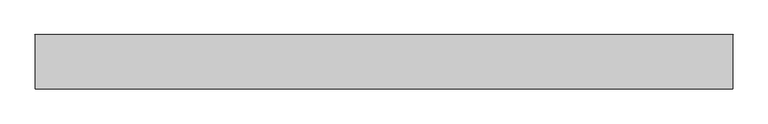
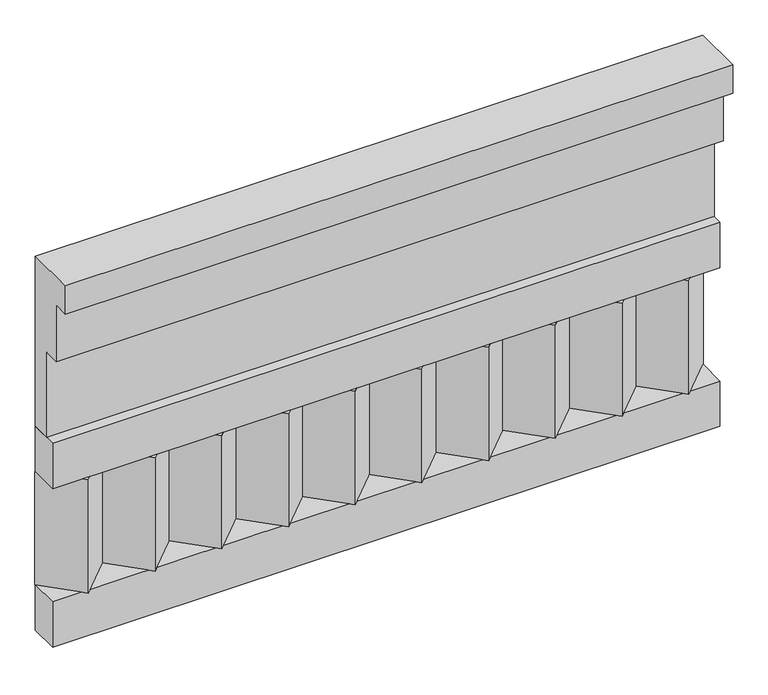
"""IFC4 building model written with IfcOpenShell, lengths in millimetres: railing geometry."""

from ifc_helpers import new_model, si_unit, frame, origin, place, context, project, spatial, polyline, outline, extrude, source, transform, mapped, element, save


def railing_0becacf1(model_context):
    return source(origin(), model_context, "Body", "SweptSolid", [
        extrude(outline(polyline([(-16816.8920513, 25100.0), (-16816.8920513, 24650.0), (-16866.8920513, 24650.0), (-16866.8920513, 24875.0), (-16906.8920513, 24875.0), (-16906.8920513, 25025.0), (-16946.8920513, 25025.0), (-16946.8920513, 25100.0), (-16816.8920513, 25100.0)])), frame((33090.0112841, 0.0, 0.0), z_axis=(1.0, 0.0, 0.0), x_axis=(0.0, 1.0, 0.0)), (0.0, 0.0, 1.0), 1670.0),
        extrude(outline(polyline([(33090.0112841, -16891.8920513), (33090.0112841, -16816.8920513), (34760.0112841, -16816.8920513), (34760.0112841, -16891.8920513), (33090.0112841, -16891.8920513)])), frame((0.0, 0.0, 24530.0), z_axis=(0.0, 0.0, 1.0), x_axis=(1.0, 0.0, 0.0)), (0.0, 0.0, 1.0), 120.0),
        extrude(outline(polyline([(33090.0112841, -16891.8920513), (33090.0112841, -16816.8920513), (34760.0112841, -16816.8920513), (34760.0112841, -16891.8920513), (33090.0112841, -16891.8920513)])), frame((0.0, 0.0, 24110.0), z_axis=(0.0, 0.0, 1.0), x_axis=(1.0, 0.0, 0.0)), (0.0, 0.0, 1.0), 120.0),
        extrude(outline(polyline([(34676.5112841, -16901.7448651), (34591.6584704, -16816.8920513), (34761.3640978, -16816.8920513), (34676.5112841, -16901.7448651)])), frame((0.0, 0.0, 24230.0), z_axis=(0.0, 0.0, 1.0), x_axis=(1.0, 0.0, 0.0)), (0.0, 0.0, 1.0), 300.0),
        extrude(outline(polyline([(34509.5112841, -16901.7448651), (34424.6584704, -16816.8920513), (34594.3640978, -16816.8920513), (34509.5112841, -16901.7448651)])), frame((0.0, 0.0, 24230.0), z_axis=(0.0, 0.0, 1.0), x_axis=(1.0, 0.0, 0.0)), (0.0, 0.0, 1.0), 300.0),
        extrude(outline(polyline([(34342.5112841, -16901.7448651), (34257.6584704, -16816.8920513), (34427.3640978, -16816.8920513), (34342.5112841, -16901.7448651)])), frame((0.0, 0.0, 24230.0), z_axis=(0.0, 0.0, 1.0), x_axis=(1.0, 0.0, 0.0)), (0.0, 0.0, 1.0), 300.0),
        extrude(outline(polyline([(34175.5112841, -16901.7448651), (34090.6584704, -16816.8920513), (34260.3640978, -16816.8920513), (34175.5112841, -16901.7448651)])), frame((0.0, 0.0, 24230.0), z_axis=(0.0, 0.0, 1.0), x_axis=(1.0, 0.0, 0.0)), (0.0, 0.0, 1.0), 300.0),
        extrude(outline(polyline([(34008.5112841, -16901.7448651), (33923.6584704, -16816.8920513), (34093.3640978, -16816.8920513), (34008.5112841, -16901.7448651)])), frame((0.0, 0.0, 24230.0), z_axis=(0.0, 0.0, 1.0), x_axis=(1.0, 0.0, 0.0)), (0.0, 0.0, 1.0), 300.0),
        extrude(outline(polyline([(33841.5112841, -16901.7448651), (33756.6584704, -16816.8920513), (33926.3640978, -16816.8920513), (33841.5112841, -16901.7448651)])), frame((0.0, 0.0, 24230.0), z_axis=(0.0, 0.0, 1.0), x_axis=(1.0, 0.0, 0.0)), (0.0, 0.0, 1.0), 300.0),
        extrude(outline(polyline([(33674.5112841, -16901.7448651), (33589.6584704, -16816.8920513), (33759.3640978, -16816.8920513), (33674.5112841, -16901.7448651)])), frame((0.0, 0.0, 24230.0), z_axis=(0.0, 0.0, 1.0), x_axis=(1.0, 0.0, 0.0)), (0.0, 0.0, 1.0), 300.0),
        extrude(outline(polyline([(33507.5112841, -16901.7448651), (33422.6584704, -16816.8920513), (33592.3640978, -16816.8920513), (33507.5112841, -16901.7448651)])), frame((0.0, 0.0, 24230.0), z_axis=(0.0, 0.0, 1.0), x_axis=(1.0, 0.0, 0.0)), (0.0, 0.0, 1.0), 300.0),
        extrude(outline(polyline([(33340.5112841, -16901.7448651), (33255.6584704, -16816.8920513), (33425.3640978, -16816.8920513), (33340.5112841, -16901.7448651)])), frame((0.0, 0.0, 24230.0), z_axis=(0.0, 0.0, 1.0), x_axis=(1.0, 0.0, 0.0)), (0.0, 0.0, 1.0), 300.0),
        extrude(outline(polyline([(33173.5112841, -16901.7448651), (33088.6584704, -16816.8920513), (33258.3640978, -16816.8920513), (33173.5112841, -16901.7448651)])), frame((0.0, 0.0, 24230.0), z_axis=(0.0, 0.0, 1.0), x_axis=(1.0, 0.0, 0.0)), (0.0, 0.0, 1.0), 300.0),
    ])


if __name__ == "__main__":
    model = new_model("IFC4")
    model_context = context("Model", 3, world=origin())
    ifc_project = project(units=[si_unit("LENGTHUNIT", "METRE", prefix="MILLI")], contexts=[model_context])
    site = spatial("IfcSite", under=ifc_project)
    building = spatial("IfcBuilding", under=site)
    placement = place(None, origin())
    railing_shape = railing_0becacf1(model_context)
    element("IfcRailing", 1, at=placement, inside=building, context=model_context, shape_type="MappedRepresentation", body=[
        mapped(railing_shape, transform((0.0, 0.0, 0.0), x_axis=(1.0, 0.0, 0.0), y_axis=(0.0, 1.0, 0.0), z_axis=(0.0, 0.0, 1.0))),
    ])
    save(model, "model.ifc")
